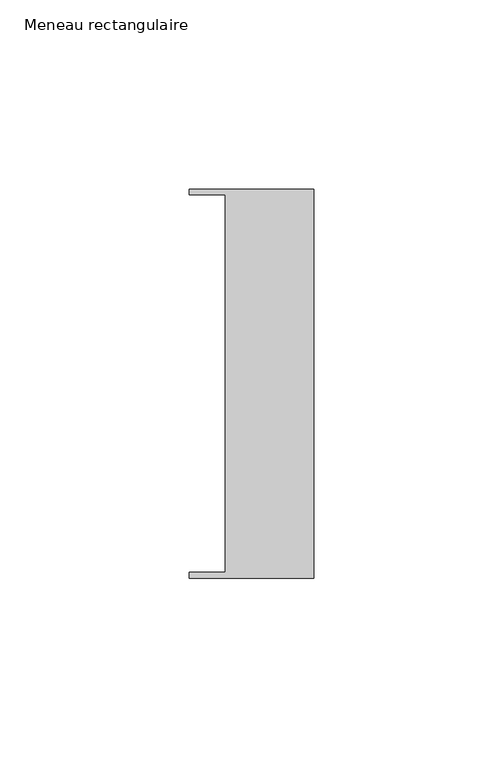
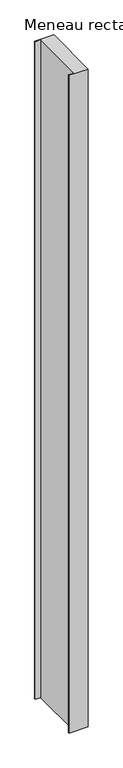
"""IFC4 building model written with IfcOpenShell, lengths in millimetres: member geometry, Meneau rectangulaire."""

from ifc_helpers import new_model, si_unit, frame, origin, place, context, project, spatial, polyline, outline, extrude, source, transform, mapped, element, save


def meneau_rectangulaire_4d6e5c88(model_context):
    return source(origin(), model_context, "Body", "SweptSolid", [
        extrude(outline(polyline([(-33.0, 51.4622428), (0.0, 51.4622428), (0.0, -51.4712299), (-33.0, -51.4712299), (-33.0, -49.9505712), (-23.4, -49.9505712), (-23.4, 49.9614402), (-33.0, 49.9614402), (-33.0, 51.4622428)])), frame((0.0, 0.0, -1199.2000003), z_axis=(0.0, 0.0, 1.0), x_axis=(1.0, 0.0, 0.0)), (0.0, 0.0, 1.0), 1199.2000003),
    ])


if __name__ == "__main__":
    model = new_model("IFC4")
    model_context = context("Model", 3, world=origin())
    ifc_project = project(units=[si_unit("LENGTHUNIT", "METRE", prefix="MILLI")], contexts=[model_context])
    site = spatial("IfcSite", under=ifc_project)
    building = spatial("IfcBuilding", under=site)
    placement = place(None, origin())
    meneau_rectangulaire_shape = meneau_rectangulaire_4d6e5c88(model_context)
    element("IfcMember", 1, ObjectType="Meneau rectangulaire", at=placement, inside=building, context=model_context, shape_type="MappedRepresentation", body=[
        mapped(meneau_rectangulaire_shape, transform((0.0, 0.0, 0.0), x_axis=(1.0, 0.0, 0.0), y_axis=(0.0, 1.0, 0.0), z_axis=(0.0, 0.0, 1.0))),
    ])
    save(model, "model.ifc")
